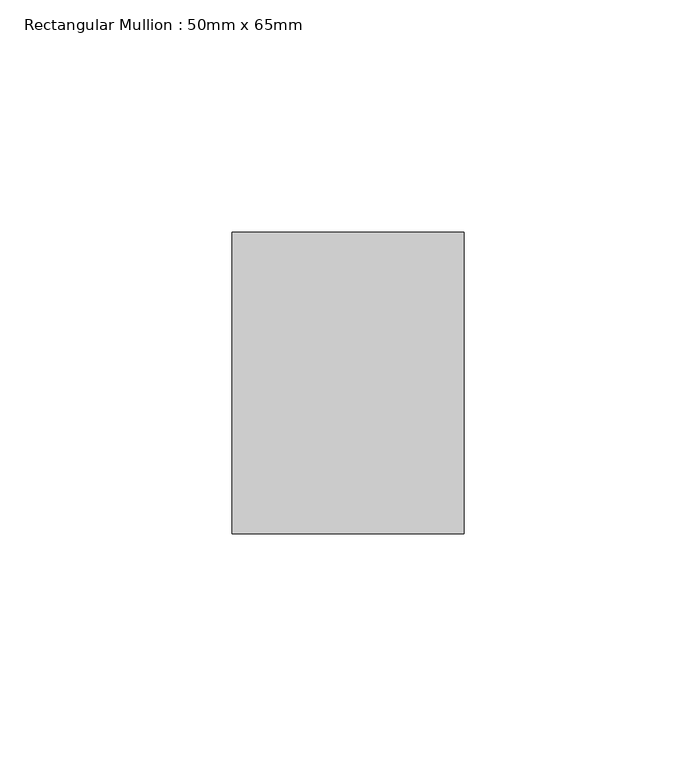
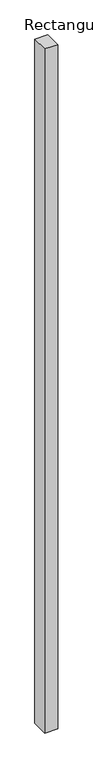
"""IFC4 building model written with IfcOpenShell, lengths in millimetres: member geometry, Rectangular Mullion : 50mm x 65mm."""

from ifc_helpers import new_model, si_unit, frame, origin, place, context, project, spatial, polyline, outline, extrude, source, transform, mapped, element, save


def rectangular_mullion_50mm_x_65mm_5cc431d1(model_context):
    return source(origin(), model_context, "Body", "SweptSolid", [
        extrude(outline(polyline([(25.0, 32.5), (25.0, -32.5), (-25.0, -32.5), (-25.0, 32.5), (25.0, 32.5)])), frame((0.0, 0.0, -2773.8910163), z_axis=(0.0, 0.0, 1.0), x_axis=(1.0, 0.0, 0.0)), (0.0, 0.0, 1.0), 2773.8910163),
    ])


if __name__ == "__main__":
    model = new_model("IFC4")
    model_context = context("Model", 3, world=origin())
    ifc_project = project(units=[si_unit("LENGTHUNIT", "METRE", prefix="MILLI")], contexts=[model_context])
    site = spatial("IfcSite", under=ifc_project)
    building = spatial("IfcBuilding", under=site)
    placement = place(None, origin())
    rectangular_mullion_50mm_x_65mm_shape = rectangular_mullion_50mm_x_65mm_5cc431d1(model_context)
    element("IfcMember", 1, ObjectType="Rectangular Mullion : 50mm x 65mm", at=placement, inside=building, context=model_context, shape_type="MappedRepresentation", body=[
        mapped(rectangular_mullion_50mm_x_65mm_shape, transform((0.0, 0.0, 0.0), x_axis=(1.0, 0.0, 0.0), y_axis=(0.0, 1.0, 0.0), z_axis=(0.0, 0.0, 1.0))),
    ])
    save(model, "model.ifc")
